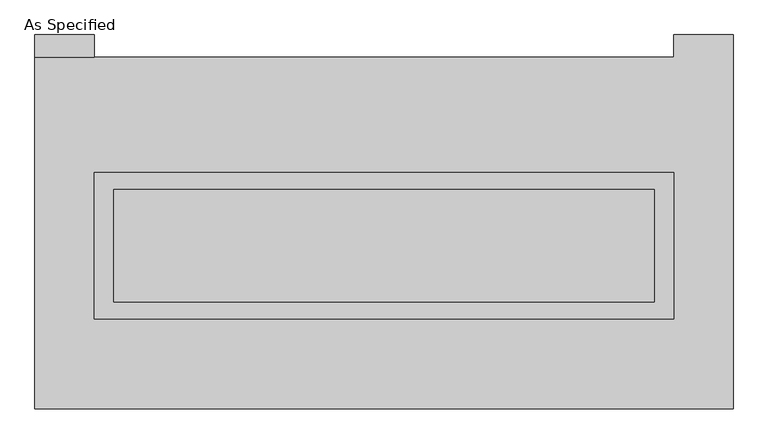
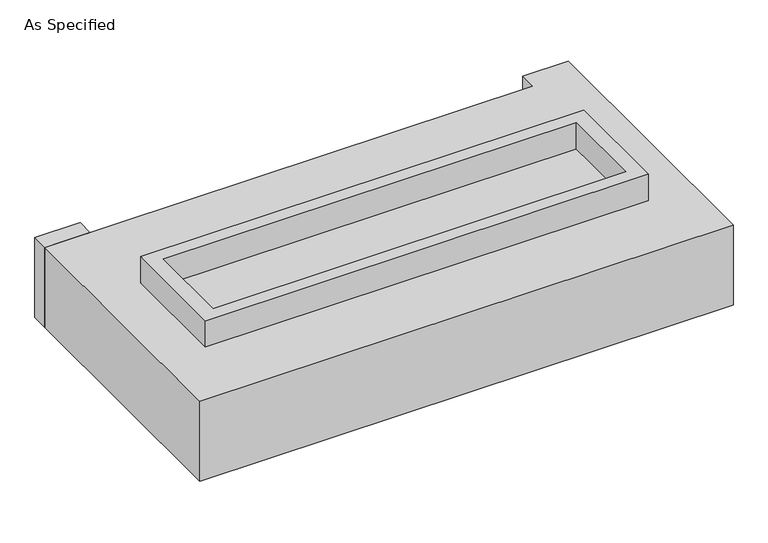
"""IFC4 building model written with IfcOpenShell, lengths in millimetres: proxy geometry, As Specified."""

from ifc_helpers import new_model, si_unit, frame, origin, place, context, project, spatial, polyline, outline, extrude, source, transform, mapped, element, save


def as_specified_ffd0bc6a(model_context):
    return source(origin(), model_context, "Body", "SweptSolid", [
        extrude(outline(polyline([(1308.1, 273.05), (1308.1, -387.35), (-1308.1, -387.35), (-1308.1, 273.05), (1308.1, 273.05)]), holes=[polyline([(1219.2, 196.85), (-1219.2, 196.85), (-1219.2, -311.15), (1219.2, -311.15), (1219.2, 196.85)])]), frame((0.0, 0.0, -688.975), z_axis=(0.0, 0.0, 1.0), x_axis=(1.0, 0.0, 0.0)), (0.0, 0.0, 1.0), 165.1),
        extrude(outline(polyline([(1308.1, 273.05), (1308.1, -387.35), (-1308.1, -387.35), (-1308.1, 273.05), (1308.1, 273.05)]), holes=[polyline([(1219.2, 196.85), (-1219.2, 196.85), (-1219.2, -311.15), (1219.2, -311.15), (1219.2, 196.85)])]), frame((0.0, 0.0, -25.4), z_axis=(0.0, 0.0, 1.0), x_axis=(1.0, 0.0, 0.0)), (0.0, 0.0, 1.0), 165.1),
        extrude(outline(polyline([(-1308.1, 793.75), (-1574.8, 793.75), (-1574.8, 895.35), (-1308.1, 895.35), (-1308.1, 793.75)])), frame((0.0, 0.0, -523.875), z_axis=(0.0, 0.0, 1.0), x_axis=(1.0, 0.0, 0.0)), (0.0, 0.0, 1.0), 498.475),
        extrude(outline(polyline([(1219.2, 196.85), (1219.2, -311.15), (-1219.2, -311.15), (-1219.2, 196.85), (1219.2, 196.85)])), frame((0.0, 0.0, -523.875), z_axis=(0.0, 0.0, 1.0), x_axis=(1.0, 0.0, 0.0)), (0.0, 0.0, 1.0), 4.9609375),
        extrude(outline(polyline([(1219.2, 196.85), (1219.2, -311.15), (-1219.2, -311.15), (-1219.2, 196.85), (1219.2, 196.85)])), frame((0.0, 0.0, -30.3609375), z_axis=(0.0, 0.0, 1.0), x_axis=(1.0, 0.0, 0.0)), (0.0, 0.0, 1.0), 4.9609375),
        extrude(outline(polyline([(1574.8, -793.75), (-1574.8, -793.75), (-1574.8, 793.75), (1308.1, 793.75), (1308.1, 895.35), (1574.8, 895.35), (1574.8, -793.75)]), holes=[polyline([(-1308.1, 273.05), (-1308.1, -387.35), (1308.1, -387.35), (1308.1, 273.05), (-1308.1, 273.05)])]), frame((0.0, 0.0, -523.875), z_axis=(0.0, 0.0, 1.0), x_axis=(1.0, 0.0, 0.0)), (0.0, 0.0, 1.0), 498.475),
    ])


if __name__ == "__main__":
    model = new_model("IFC4")
    model_context = context("Model", 3, world=origin())
    ifc_project = project(units=[si_unit("LENGTHUNIT", "METRE", prefix="MILLI")], contexts=[model_context])
    site = spatial("IfcSite", under=ifc_project)
    building = spatial("IfcBuilding", under=site)
    placement = place(None, origin())
    as_specified_shape = as_specified_ffd0bc6a(model_context)
    element("IfcBuildingElementProxy", 1, Name="As Specified", ObjectType="As Specified", at=placement, inside=building, context=model_context, shape_type="MappedRepresentation", body=[
        mapped(as_specified_shape, transform((0.0, 0.0, 0.0), x_axis=(1.0, 0.0, 0.0), y_axis=(0.0, 1.0, 0.0), z_axis=(0.0, 0.0, 1.0))),
    ])
    save(model, "model.ifc")
